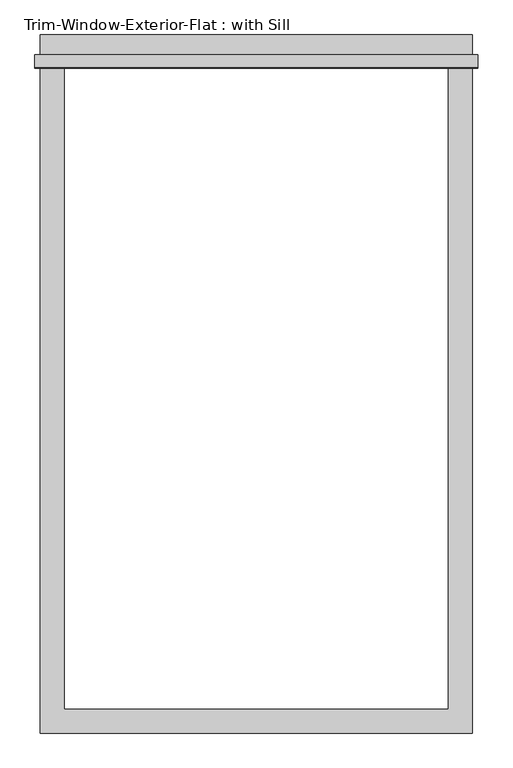
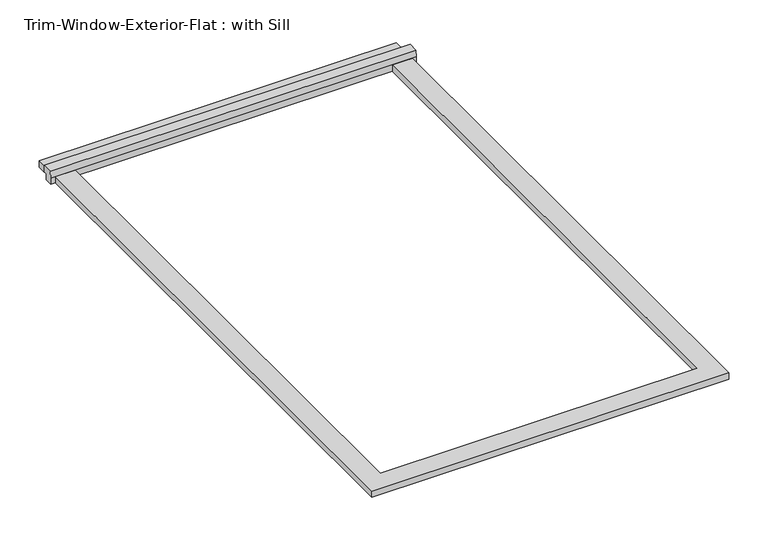
"""IFC4 building model written with IfcOpenShell, lengths in millimetres: proxy geometry, Trim-Window-Exterior-Flat : with Sill."""

from ifc_helpers import new_model, si_unit, frame, origin, origin_with_axes, place, context, project, spatial, polyline, outline, extrude, source, transform, mapped, element, save


def trim_window_exterior_flat_with_sill_9009d93d(model_context):
    return source(origin(), model_context, "Body", "SweptSolid", [
        extrude(outline(polyline([(514.35, 1546.1823709), (-514.35, 1546.1823709), (-514.35, 1603.3323709), (514.35, 1603.3323709), (514.35, 1546.1823709)])), origin_with_axes(), (0.0, 0.0, 1.0), 19.05),
        extrude(outline(polyline([(1555.75, 38.1), (1555.75, 19.05), (1546.1823709, 19.05), (1546.1823709, 0.0), (1524.0, 0.0), (1524.0, 19.05), (1526.4580645, 38.1), (1555.75, 38.1)])), frame((-527.05, 0.0, 0.0), z_axis=(1.0, 0.0, 0.0), x_axis=(0.0, 1.0, 0.0)), (0.0, 0.0, 1.0), 1054.1),
        extrude(outline(polyline([(-514.35, -57.15), (-514.35, 1524.0), (-457.2, 1524.0), (-457.2, 0.0), (457.2, 0.0), (457.2, 1524.0), (514.35, 1524.0), (514.35, -57.15), (-514.35, -57.15)])), origin_with_axes(), (0.0, 0.0, 1.0), 19.05),
    ])


if __name__ == "__main__":
    model = new_model("IFC4")
    model_context = context("Model", 3, world=origin())
    ifc_project = project(units=[si_unit("LENGTHUNIT", "METRE", prefix="MILLI")], contexts=[model_context])
    site = spatial("IfcSite", under=ifc_project)
    building = spatial("IfcBuilding", under=site)
    placement = place(None, origin())
    trim_window_exterior_flat_with_sill_shape = trim_window_exterior_flat_with_sill_9009d93d(model_context)
    element("IfcBuildingElementProxy", 1, Name="Trim-Window-Exterior-Flat : with Sill", ObjectType="Trim-Window-Exterior-Flat : with Sill", at=placement, inside=building, context=model_context, shape_type="MappedRepresentation", body=[
        mapped(trim_window_exterior_flat_with_sill_shape, transform((0.0, 0.0, 0.0), x_axis=(1.0, 0.0, 0.0), y_axis=(0.0, 1.0, 0.0), z_axis=(0.0, 0.0, 1.0))),
    ])
    save(model, "model.ifc")
